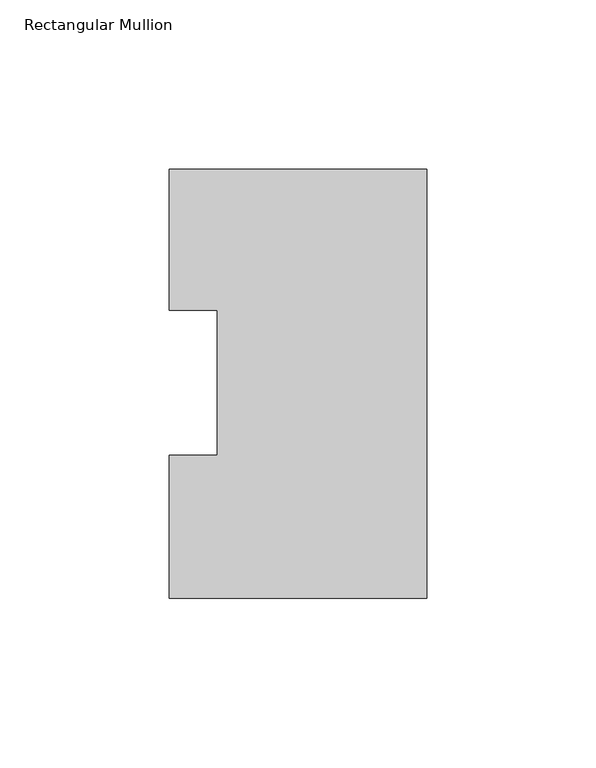
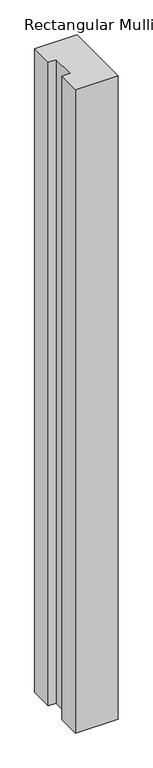
"""IFC4 building model written with IfcOpenShell, lengths in millimetres: member geometry, Rectangular Mullion."""

from ifc_helpers import new_model, si_unit, frame, origin, place, context, project, spatial, polyline, outline, extrude, source, transform, mapped, element, save


def rectangular_mullion_4085b92a(model_context):
    return source(origin(), model_context, "Body", "SweptSolid", [
        extrude(outline(polyline([(0.0, 126.9888875), (0.0, -0.0111125), (-76.1989149, -0.0111125), (-76.1989149, 42.2798875), (-61.9139549, 42.2798875), (-61.9139549, 85.1296875), (-76.1989149, 85.1296875), (-76.1989149, 126.9888875), (0.0, 126.9888875)])), frame((0.0, 0.0, -1219.2), z_axis=(0.0, 0.0, 1.0), x_axis=(1.0, 0.0, 0.0)), (0.0, 0.0, 1.0), 1219.2),
    ])


if __name__ == "__main__":
    model = new_model("IFC4")
    model_context = context("Model", 3, world=origin())
    ifc_project = project(units=[si_unit("LENGTHUNIT", "METRE", prefix="MILLI")], contexts=[model_context])
    site = spatial("IfcSite", under=ifc_project)
    building = spatial("IfcBuilding", under=site)
    placement = place(None, origin())
    rectangular_mullion_shape = rectangular_mullion_4085b92a(model_context)
    element("IfcMember", 1, ObjectType="Rectangular Mullion", at=placement, inside=building, context=model_context, shape_type="MappedRepresentation", body=[
        mapped(rectangular_mullion_shape, transform((0.0, 0.0, 0.0), x_axis=(1.0, 0.0, 0.0), y_axis=(0.0, 1.0, 0.0), z_axis=(0.0, 0.0, 1.0))),
    ])
    save(model, "model.ifc")
